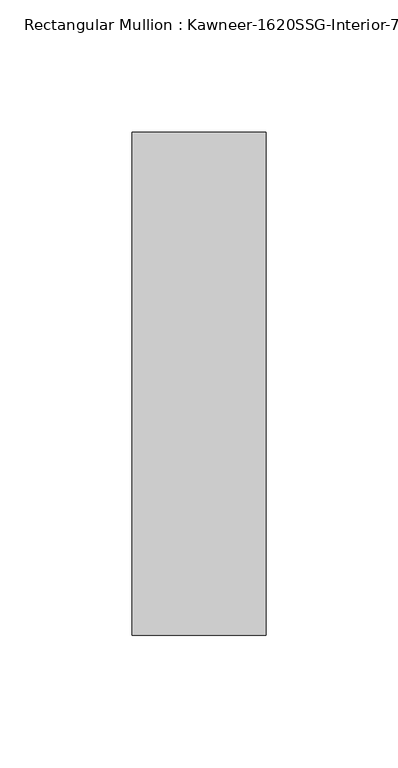
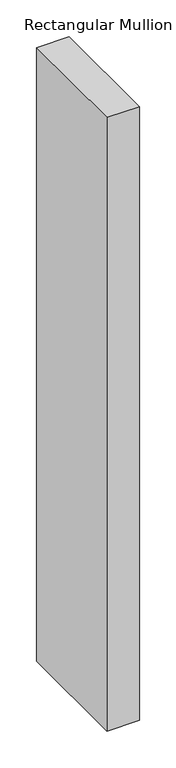
"""IFC4 building model written with IfcOpenShell, lengths in millimetres: member geometry."""

from ifc_helpers import new_model, si_unit, frame, origin, place, context, project, spatial, polyline, outline, extrude, source, transform, mapped, element, save


def member_c0ea2530(model_context):
    return source(origin(), model_context, "Body", "SweptSolid", [
        extrude(outline(polyline([(25.4, -161.925), (-25.4, -161.925), (-25.4, 28.575), (25.4, 28.575), (25.4, -161.925)])), frame((0.0, 0.0, -1016.0), z_axis=(0.0, 0.0, 1.0), x_axis=(1.0, 0.0, 0.0)), (0.0, 0.0, 1.0), 1016.0),
    ])


if __name__ == "__main__":
    model = new_model("IFC4")
    model_context = context("Model", 3, world=origin())
    ifc_project = project(units=[si_unit("LENGTHUNIT", "METRE", prefix="MILLI")], contexts=[model_context])
    site = spatial("IfcSite", under=ifc_project)
    building = spatial("IfcBuilding", under=site)
    placement = place(None, origin())
    member_shape = member_c0ea2530(model_context)
    element("IfcMember", 1, ObjectType="Rectangular Mullion : Kawneer-1620SSG-Interior-7.5\"-1/4\"Infill", at=placement, inside=building, context=model_context, shape_type="MappedRepresentation", body=[
        mapped(member_shape, transform((0.0, 0.0, 0.0), x_axis=(1.0, 0.0, 0.0), y_axis=(0.0, 1.0, 0.0), z_axis=(0.0, 0.0, 1.0))),
    ])
    save(model, "model.ifc")
